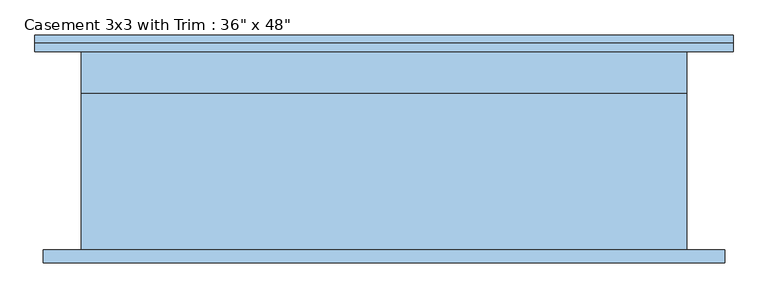
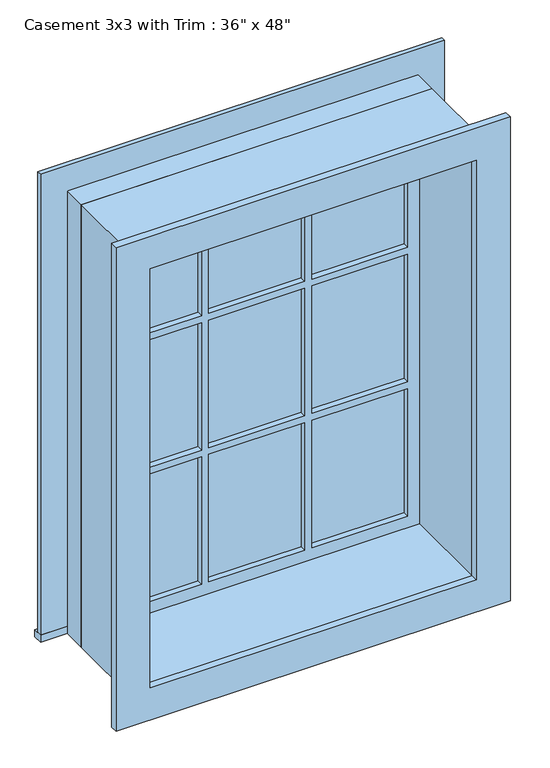
"""IFC4 building model written with IfcOpenShell, lengths in millimetres: window geometry."""

from ifc_helpers import new_model, si_unit, frame, origin, place, context, project, spatial, polyline, outline, extrude, source, transform, mapped, element, save


def window_05c7c462(model_context):
    return source(origin(), model_context, "Body", "SweptSolid", [
        extrude(outline(polyline([(-527.05, 175.4), (527.05, 175.4), (527.05, 150.0), (-527.05, 150.0), (-527.05, 175.4)])), frame((0.0, 0.0, 914.4), z_axis=(0.0, 0.0, 1.0), x_axis=(1.0, 0.0, 0.0)), (0.0, 0.0, 1.0), 19.05),
        extrude(outline(polyline([(2114.55, -438.15), (2114.55, 438.15), (933.45, 438.15), (933.45, 527.05), (2203.45, 527.05), (2203.45, -527.05), (933.45, -527.05), (933.45, -438.15), (2114.55, -438.15)])), frame((0.0, 150.0, 0.0), z_axis=(0.0, 1.0, 0.0), x_axis=(0.0, 0.0, 1.0)), (0.0, 0.0, 1.0), 12.7),
        extrude(outline(polyline([(143.9333333, 115.075), (393.7, 115.075), (393.7, 102.375), (143.9333333, 102.375), (143.9333333, 115.075)])), frame((0.0, 0.0, 1718.7333333), z_axis=(0.0, 0.0, 1.0), x_axis=(1.0, 0.0, 0.0)), (0.0, 0.0, 1.0), 351.3666667),
        extrude(outline(polyline([(-124.8833333, 115.075), (124.8833333, 115.075), (124.8833333, 102.375), (-124.8833333, 102.375), (-124.8833333, 115.075)])), frame((0.0, 0.0, 1718.7333333), z_axis=(0.0, 0.0, 1.0), x_axis=(1.0, 0.0, 0.0)), (0.0, 0.0, 1.0), 351.3666667),
        extrude(outline(polyline([(-393.7, 115.075), (-143.9333333, 115.075), (-143.9333333, 102.375), (-393.7, 102.375), (-393.7, 115.075)])), frame((0.0, 0.0, 1718.7333333), z_axis=(0.0, 0.0, 1.0), x_axis=(1.0, 0.0, 0.0)), (0.0, 0.0, 1.0), 351.3666667),
        extrude(outline(polyline([(-393.7, 115.075), (-143.9333333, 115.075), (-143.9333333, 102.375), (-393.7, 102.375), (-393.7, 115.075)])), frame((0.0, 0.0, 1348.3166667), z_axis=(0.0, 0.0, 1.0), x_axis=(1.0, 0.0, 0.0)), (0.0, 0.0, 1.0), 351.3666667),
        extrude(outline(polyline([(-124.8833333, 115.075), (124.8833333, 115.075), (124.8833333, 102.375), (-124.8833333, 102.375), (-124.8833333, 115.075)])), frame((0.0, 0.0, 1348.3166667), z_axis=(0.0, 0.0, 1.0), x_axis=(1.0, 0.0, 0.0)), (0.0, 0.0, 1.0), 351.3666667),
        extrude(outline(polyline([(143.9333333, 115.075), (393.7, 115.075), (393.7, 102.375), (143.9333333, 102.375), (143.9333333, 115.075)])), frame((0.0, 0.0, 1348.3166667), z_axis=(0.0, 0.0, 1.0), x_axis=(1.0, 0.0, 0.0)), (0.0, 0.0, 1.0), 351.3666667),
        extrude(outline(polyline([(143.9333333, 115.075), (393.7, 115.075), (393.7, 102.375), (143.9333333, 102.375), (143.9333333, 115.075)])), frame((0.0, 0.0, 977.9), z_axis=(0.0, 0.0, 1.0), x_axis=(1.0, 0.0, 0.0)), (0.0, 0.0, 1.0), 351.3666667),
        extrude(outline(polyline([(-124.8833333, 115.075), (124.8833333, 115.075), (124.8833333, 102.375), (-124.8833333, 102.375), (-124.8833333, 115.075)])), frame((0.0, 0.0, 977.9), z_axis=(0.0, 0.0, 1.0), x_axis=(1.0, 0.0, 0.0)), (0.0, 0.0, 1.0), 351.3666667),
        extrude(outline(polyline([(-393.7, 115.075), (-143.9333333, 115.075), (-143.9333333, 102.375), (-393.7, 102.375), (-393.7, 115.075)])), frame((0.0, 0.0, 977.9), z_axis=(0.0, 0.0, 1.0), x_axis=(1.0, 0.0, 0.0)), (0.0, 0.0, 1.0), 351.3666667),
        extrude(outline(polyline([(2190.75, 514.35), (2190.75, -514.35), (857.25, -514.35), (857.25, 514.35), (2190.75, 514.35)]), holes=[polyline([(2101.85, 425.45), (946.15, 425.45), (946.15, -425.45), (2101.85, -425.45), (2101.85, 425.45)])]), frame((0.0, -169.05, 0.0), z_axis=(0.0, 1.0, 0.0), x_axis=(0.0, 0.0, 1.0)), (0.0, 0.0, 1.0), 19.05),
        extrude(outline(polyline([(2114.55, -438.15), (933.45, -438.15), (933.45, 438.15), (2114.55, 438.15), (2114.55, -438.15)]), holes=[polyline([(2070.1, -143.9333333), (1718.7333333, -143.9333333), (1718.7333333, -393.7), (2070.1, -393.7), (2070.1, -143.9333333)]), polyline([(1699.6833333, -143.9333333), (1348.3166667, -143.9333333), (1348.3166667, -393.7), (1699.6833333, -393.7), (1699.6833333, -143.9333333)]), polyline([(1329.2666667, -143.9333333), (977.9, -143.9333333), (977.9, -393.7), (1329.2666667, -393.7), (1329.2666667, -143.9333333)]), polyline([(2070.1, 124.8833333), (1718.7333333, 124.8833333), (1718.7333333, -124.8833333), (2070.1, -124.8833333), (2070.1, 124.8833333)]), polyline([(1699.6833333, 124.8833333), (1348.3166667, 124.8833333), (1348.3166667, -124.8833333), (1699.6833333, -124.8833333), (1699.6833333, 124.8833333)]), polyline([(1329.2666667, 124.8833333), (977.9, 124.8833333), (977.9, -124.8833333), (1329.2666667, -124.8833333), (1329.2666667, 124.8833333)]), polyline([(2070.1, 393.7), (1718.7333333, 393.7), (1718.7333333, 143.9333333), (2070.1, 143.9333333), (2070.1, 393.7)]), polyline([(1699.6833333, 393.7), (1348.3166667, 393.7), (1348.3166667, 143.9333333), (1699.6833333, 143.9333333), (1699.6833333, 393.7)]), polyline([(1329.2666667, 393.7), (977.9, 393.7), (977.9, 143.9333333), (1329.2666667, 143.9333333), (1329.2666667, 393.7)])]), frame((0.0, 86.5, 0.0), z_axis=(0.0, 1.0, 0.0), x_axis=(0.0, 0.0, 1.0)), (0.0, 0.0, 1.0), 44.45),
        extrude(outline(polyline([(2133.6, -457.2), (914.4, -457.2), (914.4, 457.2), (2133.6, 457.2), (2133.6, -457.2)]), holes=[polyline([(2101.85, -425.45), (2101.85, 425.45), (946.15, 425.45), (946.15, -425.45), (2101.85, -425.45)])]), frame((0.0, -150.0, 0.0), z_axis=(0.0, 1.0, 0.0), x_axis=(0.0, 0.0, 1.0)), (0.0, 0.0, 1.0), 236.5),
        extrude(outline(polyline([(2133.6, 457.2), (2133.6, -457.2), (914.4, -457.2), (914.4, 457.2), (2133.6, 457.2)]), holes=[polyline([(2114.55, 438.15), (933.45, 438.15), (933.45, -438.15), (2114.55, -438.15), (2114.55, 438.15)])]), frame((0.0, 86.5, 0.0), z_axis=(0.0, 1.0, 0.0), x_axis=(0.0, 0.0, 1.0)), (0.0, 0.0, 1.0), 63.5),
    ])


if __name__ == "__main__":
    model = new_model("IFC4")
    model_context = context("Model", 3, world=origin())
    ifc_project = project(units=[si_unit("LENGTHUNIT", "METRE", prefix="MILLI")], contexts=[model_context])
    site = spatial("IfcSite", under=ifc_project)
    building = spatial("IfcBuilding", under=site)
    placement = place(None, origin())
    window_shape = window_05c7c462(model_context)
    element("IfcWindow", 1, ObjectType="Casement 3x3 with Trim : 36\" x 48\"", at=placement, inside=building, context=model_context, shape_type="MappedRepresentation", body=[
        mapped(window_shape, transform((0.0, 0.0, 0.0), x_axis=(1.0, 0.0, 0.0), y_axis=(0.0, 1.0, 0.0), z_axis=(0.0, 0.0, 1.0))),
    ])
    save(model, "model.ifc")
